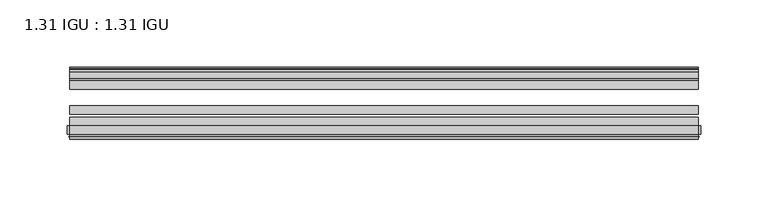
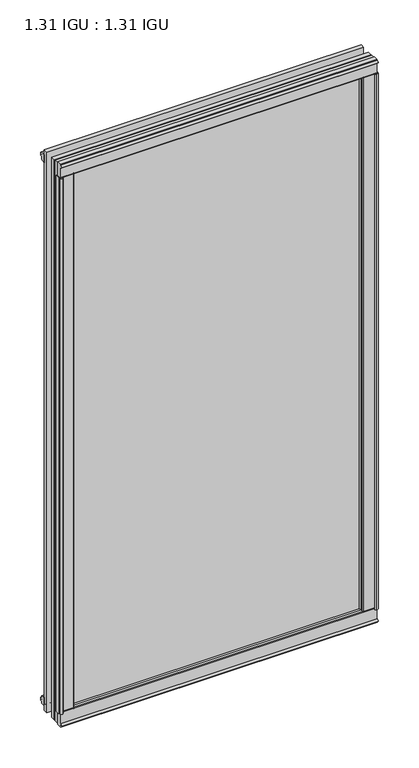
"""IFC4 building model written with IfcOpenShell, lengths in millimetres: plate geometry, 1.31 IGU : 1.31 IGU."""

import ifcopenshell
import ifcopenshell.guid

model = None  # the IFC model being written
_history = None  # IfcOwnerHistory: only IFC2X3 demands one
_inside = {}  # id of a spatial element -> (the spatial element, [elements in it])
_under = {}  # id of a project, library or spatial element -> (it, [spatial elements below it])
_declared = {}  # id of a project -> (the project, [libraries it declares])
_typed = {}  # id of a type object -> (the type object, [elements of that type])
_made_of = {}  # id of a material, layer set ... -> (it, [elements and type objects made of it])


def new_model(schema):
    """Start an empty IFC model of exactly this schema.

    Asked for "IFC4X3", IfcOpenShell would pick the latest addendum, in which some entities
    have other attributes; the version numbers below select the first issue.
    IFC2X3 requires an IfcOwnerHistory on every rooted entity: one is made here for all.
    """
    global model, _history
    if schema == "IFC4X3":
        model = ifcopenshell.file(schema_version=(4, 3, 0, 0))
    else:
        model = ifcopenshell.file(schema=schema)
    _inside.clear()
    _under.clear()
    _declared.clear()
    _typed.clear()
    _made_of.clear()
    _history = None
    if model.schema == "IFC2X3":
        org = make("IfcOrganization", Name="unknown")
        user = make(
            "IfcPersonAndOrganization",
            ThePerson=make("IfcPerson", FamilyName="unknown"),
            TheOrganization=org,
        )
        app = make(
            "IfcApplication",
            ApplicationDeveloper=org,
            Version="unknown",
            ApplicationFullName="unknown",
            ApplicationIdentifier="unknown",
        )
        _history = make(
            "IfcOwnerHistory",
            OwningUser=user,
            OwningApplication=app,
            ChangeAction="ADDED",
            CreationDate=0,
        )
    return model


def make(cls, **values):
    """One entity of the class cls with the attributes given. An attribute that is None is left unset."""
    return model.create_entity(
        cls, **{name: value for name, value in values.items() if value is not None}
    )


def rooted(cls, **values):
    """An entity with a GlobalId (a new one), such as an element, a storey or a relation."""
    return make(cls, GlobalId=ifcopenshell.guid.new(), OwnerHistory=_history, **values)


def si_unit(unit_type, name, prefix=None):
    """IfcSIUnit, for example si_unit("LENGTHUNIT", "METRE", prefix="MILLI")."""
    return make("IfcSIUnit", UnitType=unit_type, Prefix=prefix, Name=name)


def assignment(units):
    """IfcUnitAssignment: the units of a project."""
    return None if units is None else make("IfcUnitAssignment", Units=units)


def point(xyz):
    """IfcCartesianPoint."""
    return None if xyz is None else make("IfcCartesianPoint", Coordinates=xyz)


def direction(xyz):
    """IfcDirection."""
    return None if xyz is None else make("IfcDirection", DirectionRatios=xyz)


def frame(location, z_axis=None, x_axis=None):
    """IfcAxis2Placement3D, a coordinate frame: its origin and axes. An axis left out is left unset."""
    return make(
        "IfcAxis2Placement3D",
        Location=point(location),
        Axis=direction(z_axis),
        RefDirection=direction(x_axis),
    )


def frame_2d(location, x_axis=None):
    """IfcAxis2Placement2D, a coordinate frame in the plane: its origin and x axis."""
    return make(
        "IfcAxis2Placement2D", Location=point(location), RefDirection=direction(x_axis)
    )


def origin():
    """The frame at (0, 0, 0) with its axes left unset."""
    return frame((0.0, 0.0, 0.0))


def origin_with_axes():
    """The frame at (0, 0, 0) with the z axis (0, 0, 1) and the x axis (1, 0, 0) written out."""
    return frame((0.0, 0.0, 0.0), z_axis=(0.0, 0.0, 1.0), x_axis=(1.0, 0.0, 0.0))


def place(relative_to, where):
    """IfcLocalPlacement: puts the frame where relative to a parent placement (None: the world)."""
    return make(
        "IfcLocalPlacement", PlacementRelTo=relative_to, RelativePlacement=where
    )


def context(
    kind, dimensions, precision=None, world=None, true_north=None, identifier=None
):
    """IfcGeometricRepresentationContext, for example the 3D "Model" context."""
    return make(
        "IfcGeometricRepresentationContext",
        ContextIdentifier=identifier,
        ContextType=kind,
        CoordinateSpaceDimension=dimensions,
        Precision=precision,
        WorldCoordinateSystem=world,
        TrueNorth=true_north,
    )


def project(units=None, contexts=None):
    """IfcProject with its units and contexts."""
    return rooted(
        "IfcProject",
        Name="project",
        RepresentationContexts=contexts,
        UnitsInContext=assignment(units),
    )


def spatial(cls, under=None, at=None, **own):
    """A site, building, storey or space (cls), placed at a placement, below another one or the project."""
    s = rooted(cls, ObjectPlacement=at, **own)
    if under is not None:
        _under.setdefault(under.id(), (under, []))[1].append(s)
    return s


def polyline(points):
    """IfcPolyline through the points."""
    return make("IfcPolyline", Points=[point(p) for p in points])


def circle_curve(where, radius):
    """IfcCircle in the frame where."""
    return make("IfcCircle", Position=where, Radius=radius)


def trimmed(basis, trim1, trim2, sense, master):
    """IfcTrimmedCurve: the piece of a basis curve between two trims."""
    return make(
        "IfcTrimmedCurve",
        BasisCurve=basis,
        Trim1=trim1,
        Trim2=trim2,
        SenseAgreement=sense,
        MasterRepresentation=master,
    )


def segment(curve, same_sense, transition):
    """IfcCompositeCurveSegment."""
    return make(
        "IfcCompositeCurveSegment",
        Transition=transition,
        SameSense=same_sense,
        ParentCurve=curve,
    )


def composite_curve(segments, self_intersect=None):
    """IfcCompositeCurve: segments joined end to end."""
    return make("IfcCompositeCurve", Segments=segments, SelfIntersect=self_intersect)


def outline(outer, holes=None, kind="AREA"):
    """IfcArbitraryClosedProfileDef: a profile drawn as a closed curve; with holes, ...WithVoids."""
    if holes is None:
        return make("IfcArbitraryClosedProfileDef", ProfileType=kind, OuterCurve=outer)
    return make(
        "IfcArbitraryProfileDefWithVoids",
        ProfileType=kind,
        OuterCurve=outer,
        InnerCurves=holes,
    )


def extrude(swept, where, along, depth):
    """IfcExtrudedAreaSolid: the profile swept, set in the frame where, extruded along a direction by depth."""
    return make(
        "IfcExtrudedAreaSolid",
        SweptArea=swept,
        Position=where,
        ExtrudedDirection=direction(along),
        Depth=depth,
    )


def shape(context_of_items, identifier, shape_type, items):
    """IfcShapeRepresentation: the items that make up one representation, for example the "Body"."""
    return make(
        "IfcShapeRepresentation",
        ContextOfItems=context_of_items,
        RepresentationIdentifier=identifier,
        RepresentationType=shape_type,
        Items=items,
    )


def source(mapping_origin, context_of_items, identifier, shape_type, items):
    """IfcRepresentationMap: a shape defined once, which mapped items show again and again."""
    return make(
        "IfcRepresentationMap",
        MappingOrigin=mapping_origin,
        MappedRepresentation=shape(context_of_items, identifier, shape_type, items),
    )


def transform(
    local_origin,
    x_axis=None,
    y_axis=None,
    z_axis=None,
    scale=None,
    scale2=None,
    scale3=None,
    uniform=True,
):
    """IfcCartesianTransformationOperator3D, or its non-uniform kind. x_axis, y_axis, z_axis: its Axis1, 2, 3."""
    if uniform:
        return make(
            "IfcCartesianTransformationOperator3D",
            Axis1=direction(x_axis),
            Axis2=direction(y_axis),
            LocalOrigin=point(local_origin),
            Scale=scale,
            Axis3=direction(z_axis),
        )
    return make(
        "IfcCartesianTransformationOperator3DnonUniform",
        Axis1=direction(x_axis),
        Axis2=direction(y_axis),
        LocalOrigin=point(local_origin),
        Scale=scale,
        Axis3=direction(z_axis),
        Scale2=scale2,
        Scale3=scale3,
    )


def mapped(mapping_source, mapping_target):
    """IfcMappedItem: shows the shape of a source again, moved by a transform."""
    return make(
        "IfcMappedItem", MappingSource=mapping_source, MappingTarget=mapping_target
    )


def made_of(thing, what):
    """Note that an element or type object is made of a material, layer set ...; save() writes the relation."""
    if what is not None:
        _made_of.setdefault(what.id(), (what, []))[1].append(thing)
    return thing


def element(
    cls,
    number,
    at=None,
    inside=None,
    cuts=None,
    type_object=None,
    material=None,
    context=None,
    identifier="Body",
    shape_type=None,
    held_by="IfcProductDefinitionShape",
    body=None,
    shapes=None,
    **own,
):
    """One element of the class cls, such as IfcWall. Its Tag is "e" and its number.

    at: its placement. inside: the storey or other place that contains it. cuts: it is an
    opening in that element (IfcRelVoidsElement). A single representation is given by context,
    identifier, shape_type and body (its items); several are given by shapes. held_by: the class
    of the entity that holds the representations. save() writes the other relations.
    """
    e = rooted(cls, Tag="e%d" % number, ObjectPlacement=at, **own)
    if body is not None:
        shapes = [shape(context, identifier, shape_type, body)]
    if shapes is not None:
        e.Representation = make(held_by, Representations=shapes)
    if inside is not None:
        _inside.setdefault(inside.id(), (inside, []))[1].append(e)
    if cuts is not None:
        rooted(
            "IfcRelVoidsElement", RelatingBuildingElement=cuts, RelatedOpeningElement=e
        )
    if type_object is not None:
        _typed.setdefault(type_object.id(), (type_object, []))[1].append(e)
    return made_of(e, material)


def aggregate(whole, parts):
    """IfcRelAggregates: a whole, such as a stair, and the parts it consists of."""
    return rooted("IfcRelAggregates", RelatingObject=whole, RelatedObjects=parts)


def save(model, path):
    """Write the relations noted so far, then the file.

    IfcRelAggregates (storeys below a building ...), IfcRelContainedInSpatialStructure (elements
    in a storey), IfcRelDefinesByType, IfcRelAssociatesMaterial and IfcRelDeclares: one each for
    every whole, place, type object, material and project.
    """
    for whole, parts in _under.values():
        aggregate(whole, parts)
    for where, things in _inside.values():
        rooted(
            "IfcRelContainedInSpatialStructure",
            RelatedElements=things,
            RelatingStructure=where,
        )
    for kind, things in _typed.values():
        rooted("IfcRelDefinesByType", RelatedObjects=things, RelatingType=kind)
    for what, things in _made_of.values():
        rooted("IfcRelAssociatesMaterial", RelatedObjects=things, RelatingMaterial=what)
    for by, libraries in _declared.values():
        rooted("IfcRelDeclares", RelatingContext=by, RelatedDefinitions=libraries)
    model.write(path)


def plate_1_31_igu_1_31_igu_d906b8bf(model_context):
    return source(origin(), model_context, "Body", "SweptSolid", [
        extrude(outline(polyline([(220.1239818, -11.1943457), (218.7219485, -11.5700195), (218.4918583, -10.7113114), (220.9048583, -10.06475), (223.3178583, -10.7113114), (223.0877682, -11.5700195), (221.6857348, -11.1943457), (222.3018583, -13.49375), (225.9804324, -13.49375), (225.9804324, -18.1284104), (224.5517878, -19.84375), (212.8391171, -19.84375), (214.5548583, -13.49375), (219.5078583, -13.49375), (220.1239818, -11.1943457)])), origin_with_axes(), (0.0, 0.0, 1.0), 831.85),
        extrude(outline(polyline([(-220.1239818, -11.1943457), (-219.5078583, -13.49375), (-214.5548583, -13.49375), (-212.8391171, -19.84375), (-224.5517878, -19.84375), (-225.9804324, -18.1284104), (-225.9804324, -13.49375), (-222.3018583, -13.49375), (-221.6857348, -11.1943457), (-223.0877682, -11.5700195), (-223.3178583, -10.7113114), (-220.9048583, -10.06475), (-218.4918583, -10.7113114), (-218.7219485, -11.5700195), (-220.1239818, -11.1943457)])), origin_with_axes(), (0.0, 0.0, 1.0), 831.85),
        extrude(outline(polyline([(-13.49375, -5.7276998), (-11.1943457, -6.3438233), (-11.5700195, -4.9417899), (-10.7113114, -4.7116998), (-10.06475, -7.1246998), (-10.7113114, -9.5376998), (-11.5700195, -9.3076097), (-11.1943457, -7.9055763), (-13.49375, -8.5216998), (-13.49375, -12.2002739), (-18.1284104, -12.2002739), (-19.84375, -10.7716292), (-19.84375, 0.9410414), (-13.49375, -0.7746998), (-13.49375, -5.7276998)])), frame((-232.8174583, 0.0, 0.0), z_axis=(1.0, 0.0, 0.0), x_axis=(0.0, 1.0, 0.0)), (0.0, 0.0, 1.0), 465.6349167),
        extrude(outline(composite_curve([segment(polyline([(-55.9719113, 2.457708), (-53.16855, 3.0868452), (-53.16855, -20.9097918), (-59.51855, -20.9097918), (-59.51855, -18.6868471), (-62.0391488, -18.0752025), (-61.5965021, -19.0933159), (-61.5965021, -19.98942), (-63.2729251, -17.4063265), (-61.3290281, -15.2058028), (-61.3290281, -16.0360741), (-61.9417436, -16.9618553), (-59.51855, -16.8077164), (-59.51855, 0.6826418)]), True, "CONTINUOUS"), segment(trimmed(circle_curve(frame_2d((-58.24855, 0.6826418)), 1.27), [point((-59.51855, 0.6826418))], [point((-58.6007815, 1.9028193))], False, "CARTESIAN"), True, "CONTINUOUS"), segment(polyline([(-58.6007815, 1.9028193), (-55.9719113, 2.457708)]), True, "CONTINUOUS")], self_intersect=False)), frame((-232.8174583, 0.0, 0.0), z_axis=(1.0, 0.0, 0.0), x_axis=(0.0, 1.0, 0.0)), (0.0, 0.0, 1.0), 465.6349167),
        extrude(outline(polyline([(-13.49375, 837.5776998), (-13.49375, 832.6246998), (-19.84375, 830.9089586), (-19.84375, 842.6216292), (-18.1284104, 844.0502739), (-13.49375, 844.0502739), (-13.49375, 840.3716998), (-11.1943457, 839.7555763), (-11.5700195, 841.1576097), (-10.7113114, 841.3876998), (-10.06475, 838.9746998), (-10.7113114, 836.5616998), (-11.5700195, 836.7917899), (-11.1943457, 838.1938233), (-13.49375, 837.5776998)])), frame((-232.8174583, 0.0, 0.0), z_axis=(1.0, 0.0, 0.0), x_axis=(0.0, 1.0, 0.0)), (0.0, 0.0, 1.0), 465.6349167),
        extrude(outline(composite_curve([segment(polyline([(-55.9719113, 829.392292), (-58.6007815, 829.9471807)]), True, "CONTINUOUS"), segment(trimmed(circle_curve(frame_2d((-58.24855, 831.1673582)), 1.27), [point((-58.6007815, 829.9471807))], [point((-59.51855, 831.1673582))], False, "CARTESIAN"), True, "CONTINUOUS"), segment(polyline([(-59.51855, 831.1673582), (-59.51855, 848.6577164), (-61.9417436, 848.8118553), (-61.3290281, 847.8860741), (-61.3290281, 847.0558028), (-63.2729251, 849.2563265), (-61.5965021, 851.83942), (-61.5965021, 850.9433159), (-62.0391488, 849.9252025), (-59.51855, 850.5368471), (-59.51855, 852.7597918), (-53.16855, 852.7597918), (-53.16855, 828.7631548), (-55.9719113, 829.392292)]), True, "CONTINUOUS")], self_intersect=False)), frame((-232.8174583, 0.0, 0.0), z_axis=(1.0, 0.0, 0.0), x_axis=(0.0, 1.0, 0.0)), (0.0, 0.0, 1.0), 465.6349167),
        extrude(outline(composite_curve([segment(polyline([(-231.186485, -63.2729251), (-233.7695785, -61.5965021), (-232.8734744, -61.5965021), (-231.855361, -62.0391488), (-232.4670056, -59.51855), (-234.6899503, -59.51855), (-234.6899503, -53.16855), (-210.6933134, -53.16855), (-211.3224506, -55.9719113), (-211.8773393, -58.6007815)]), True, "CONTINUOUS"), segment(trimmed(circle_curve(frame_2d((-213.0975167, -58.24855)), 1.27), [point((-211.8773393, -58.6007815))], [point((-213.0975167, -59.51855))], False, "CARTESIAN"), True, "CONTINUOUS"), segment(polyline([(-213.0975167, -59.51855), (-230.587875, -59.51855), (-230.7420138, -61.9417436), (-229.8162326, -61.3290281), (-229.0047046, -61.3290281), (-231.186485, -63.2729251)]), True, "CONTINUOUS")], self_intersect=False)), origin_with_axes(), (0.0, 0.0, 1.0), 831.85),
        extrude(outline(composite_curve([segment(polyline([(231.186485, -63.2729251), (229.0047046, -61.3290281), (229.8162326, -61.3290281), (230.7420138, -61.9417436), (230.587875, -59.51855), (213.0975167, -59.51855)]), True, "CONTINUOUS"), segment(trimmed(circle_curve(frame_2d((213.0975167, -58.24855)), 1.27), [point((213.0975167, -59.51855))], [point((211.8773393, -58.6007815))], False, "CARTESIAN"), True, "CONTINUOUS"), segment(polyline([(211.8773393, -58.6007815), (211.3224506, -55.9719113), (210.6933134, -53.16855), (234.6899503, -53.16855), (234.6899503, -59.51855), (232.4670056, -59.51855), (231.855361, -62.0391488), (232.8734744, -61.5965021), (233.7695785, -61.5965021), (231.186485, -63.2729251)]), True, "CONTINUOUS")], self_intersect=False)), origin_with_axes(), (0.0, 0.0, 1.0), 831.85),
        extrude(outline(polyline([(232.8174583, -19.84375), (232.8174583, -26.14295), (-232.8174583, -26.14295), (-232.8174583, -19.84375), (232.8174583, -19.84375)])), frame((0.0, 0.0, -19.05), z_axis=(0.0, 0.0, 1.0), x_axis=(1.0, 0.0, 0.0)), (0.0, 0.0, 1.0), 869.95),
        extrude(outline(polyline([(-232.8174583, -44.83735), (-232.8174583, -38.53815), (232.8174583, -38.53815), (232.8174583, -44.83735), (-232.8174583, -44.83735)])), frame((0.0, 0.0, -19.05), z_axis=(0.0, 0.0, 1.0), x_axis=(1.0, 0.0, 0.0)), (0.0, 0.0, 1.0), 869.95),
        extrude(outline(polyline([(-232.8174583, -53.16855), (-232.8174583, -46.86935), (232.8174583, -46.86935), (232.8174583, -53.16855), (-232.8174583, -53.16855)])), frame((0.0, 0.0, -19.05), z_axis=(0.0, 0.0, 1.0), x_axis=(1.0, 0.0, 0.0)), (0.0, 0.0, 1.0), 869.95),
    ])


if __name__ == "__main__":
    model = new_model("IFC4")
    model_context = context("Model", 3, world=origin())
    ifc_project = project(units=[si_unit("LENGTHUNIT", "METRE", prefix="MILLI")], contexts=[model_context])
    site = spatial("IfcSite", under=ifc_project)
    building = spatial("IfcBuilding", under=site)
    placement = place(None, origin())
    plate_1_31_igu_1_31_igu_shape = plate_1_31_igu_1_31_igu_d906b8bf(model_context)
    element("IfcPlate", 1, ObjectType="1.31 IGU : 1.31 IGU", at=placement, inside=building, context=model_context, shape_type="MappedRepresentation", body=[
        mapped(plate_1_31_igu_1_31_igu_shape, transform((0.0, 0.0, 0.0), x_axis=(1.0, 0.0, 0.0), y_axis=(0.0, 1.0, 0.0), z_axis=(0.0, 0.0, 1.0))),
    ])
    save(model, "model.ifc")
